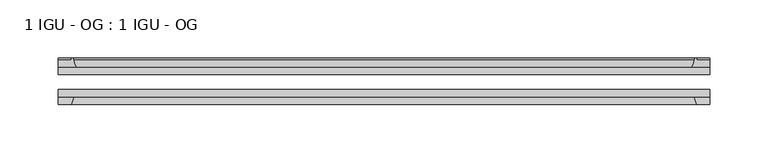
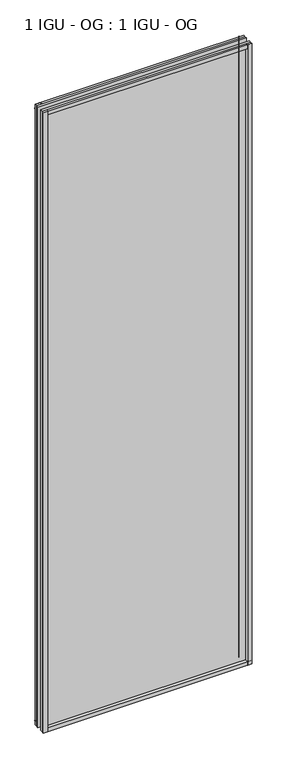
"""IFC4 building model written with IfcOpenShell, lengths in millimetres: plate geometry, 1 IGU - OG : 1 IGU - OG."""

from ifc_helpers import new_model, si_unit, point, frame, frame_2d, origin, place, context, project, spatial, polyline, circle_curve, trimmed, segment, composite_curve, outline, extrude, source, transform, mapped, element, save


def plate_1_igu_og_1_igu_og_bf21f0f5(model_context):
    return source(origin(), model_context, "Body", "SweptSolid", [
        extrude(outline(polyline([(260.35, -31.75), (260.35, -38.1), (-298.45, -38.1), (-298.45, -31.75), (260.35, -31.75)])), frame((0.0, 0.0, -11.1125), z_axis=(0.0, 0.0, 1.0), x_axis=(1.0, 0.0, 0.0)), (0.0, 0.0, 1.0), 1755.775),
        extrude(outline(polyline([(-298.45, -12.7), (260.35, -12.7), (260.35, -19.05), (-298.45, -19.05), (-298.45, -12.7)])), frame((0.0, 0.0, -11.1125), z_axis=(0.0, 0.0, 1.0), x_axis=(1.0, 0.0, 0.0)), (0.0, 0.0, 1.0), 1755.775),
        extrude(outline(composite_curve([segment(polyline([(-283.1142091, -12.7), (-298.45, -12.7), (-298.45, -6.35), (-287.3375, -6.35), (-287.3375, -4.7751661), (-286.408086, -4.7751661)]), True, "CONTINUOUS"), segment(trimmed(circle_curve(frame_2d((-286.408086, -5.5371661)), 0.762), [point((-286.408086, -4.7751661))], [point((-285.6658761, -5.364631))], False, "CARTESIAN"), True, "CONTINUOUS"), segment(trimmed(circle_curve(frame_2d((-250.0366579, 2.9177851)), 36.5792237), [point((-285.6658761, -5.364631))], [point((-283.1142091, -12.7))], True, "CARTESIAN"), True, "CONTINUOUS")], self_intersect=False)), frame((0.0, 0.0, -11.1125), z_axis=(0.0, 0.0, 1.0), x_axis=(1.0, 0.0, 0.0)), (0.0, 0.0, 1.0), 1755.775),
        extrude(outline(polyline([(-298.45, -38.1), (-285.2322229, -38.1), (-287.3375, -44.45), (-298.45, -44.45), (-298.45, -38.1)])), frame((0.0, 0.0, -11.1125), z_axis=(0.0, 0.0, 1.0), x_axis=(1.0, 0.0, 0.0)), (0.0, 0.0, 1.0), 1755.775),
        extrude(outline(composite_curve([segment(trimmed(circle_curve(frame_2d((248.308086, -5.5371661)), 0.762), [point((247.5658761, -5.364631))], [point((248.308086, -4.7751661))], False, "CARTESIAN"), True, "CONTINUOUS"), segment(polyline([(248.308086, -4.7751661), (249.2375, -4.7751661), (249.2375, -6.35), (260.35, -6.35), (260.35, -12.7), (245.0142091, -12.7)]), True, "CONTINUOUS"), segment(trimmed(circle_curve(frame_2d((211.9366579, 2.9177851)), 36.5792237), [point((245.0142091, -12.7))], [point((247.5658761, -5.364631))], True, "CARTESIAN"), True, "CONTINUOUS")], self_intersect=False)), frame((0.0, 0.0, -11.1125), z_axis=(0.0, 0.0, 1.0), x_axis=(1.0, 0.0, 0.0)), (0.0, 0.0, 1.0), 1755.775),
        extrude(outline(polyline([(247.1322229, -38.1), (260.35, -38.1), (260.35, -44.45), (249.2375, -44.45), (247.1322229, -38.1)])), frame((0.0, 0.0, -11.1125), z_axis=(0.0, 0.0, 1.0), x_axis=(1.0, 0.0, 0.0)), (0.0, 0.0, 1.0), 1755.775),
        extrude(outline(composite_curve([segment(polyline([(-12.7, -11.1125), (-12.7, 4.2232909)]), True, "CONTINUOUS"), segment(trimmed(circle_curve(frame_2d((2.9177851, 37.3008421)), 36.5792237), [point((-12.7, 4.2232909))], [point((-5.364631, 1.6716239))], True, "CARTESIAN"), True, "CONTINUOUS"), segment(trimmed(circle_curve(frame_2d((-5.5371661, 0.929414)), 0.762), [point((-5.364631, 1.6716239))], [point((-4.7751661, 0.929414))], False, "CARTESIAN"), True, "CONTINUOUS"), segment(polyline([(-4.7751661, 0.929414), (-4.7751661, 0.0), (-6.35, 0.0), (-6.35, -11.1125), (-12.7, -11.1125)]), True, "CONTINUOUS")], self_intersect=False)), frame((-298.45, 0.0, 0.0), z_axis=(1.0, 0.0, 0.0), x_axis=(0.0, 1.0, 0.0)), (0.0, 0.0, 1.0), 558.8),
        extrude(outline(polyline([(-38.1, 2.1052771), (-38.1, -11.1125), (-44.45, -11.1125), (-44.45, 0.0), (-38.1, 2.1052771)])), frame((-298.45, 0.0, 0.0), z_axis=(1.0, 0.0, 0.0), x_axis=(0.0, 1.0, 0.0)), (0.0, 0.0, 1.0), 558.8),
        extrude(outline(composite_curve([segment(trimmed(circle_curve(frame_2d((2.9177851, 1696.2491579)), 36.5792237), [point((-5.364631, 1731.8783761))], [point((-12.7, 1729.3267091))], True, "CARTESIAN"), True, "CONTINUOUS"), segment(polyline([(-12.7, 1729.3267091), (-12.7, 1744.6625), (-6.35, 1744.6625), (-6.35, 1733.55), (-4.7751661, 1733.55), (-4.7751661, 1732.620586)]), True, "CONTINUOUS"), segment(trimmed(circle_curve(frame_2d((-5.5371661, 1732.620586)), 0.762), [point((-4.7751661, 1732.620586))], [point((-5.364631, 1731.8783761))], False, "CARTESIAN"), True, "CONTINUOUS")], self_intersect=False)), frame((-298.45, 0.0, 0.0), z_axis=(1.0, 0.0, 0.0), x_axis=(0.0, 1.0, 0.0)), (0.0, 0.0, 1.0), 558.8),
        extrude(outline(polyline([(-38.1, 1744.6625), (-38.1, 1731.4447229), (-44.45, 1733.55), (-44.45, 1744.6625), (-38.1, 1744.6625)])), frame((-298.45, 0.0, 0.0), z_axis=(1.0, 0.0, 0.0), x_axis=(0.0, 1.0, 0.0)), (0.0, 0.0, 1.0), 558.8),
    ])


if __name__ == "__main__":
    model = new_model("IFC4")
    model_context = context("Model", 3, world=origin())
    ifc_project = project(units=[si_unit("LENGTHUNIT", "METRE", prefix="MILLI")], contexts=[model_context])
    site = spatial("IfcSite", under=ifc_project)
    building = spatial("IfcBuilding", under=site)
    placement = place(None, origin())
    plate_1_igu_og_1_igu_og_shape = plate_1_igu_og_1_igu_og_bf21f0f5(model_context)
    element("IfcPlate", 1, ObjectType="1 IGU - OG : 1 IGU - OG", at=placement, inside=building, context=model_context, shape_type="MappedRepresentation", body=[
        mapped(plate_1_igu_og_1_igu_og_shape, transform((0.0, 0.0, 0.0), x_axis=(1.0, 0.0, 0.0), y_axis=(0.0, 1.0, 0.0), z_axis=(0.0, 0.0, 1.0))),
    ])
    save(model, "model.ifc")
